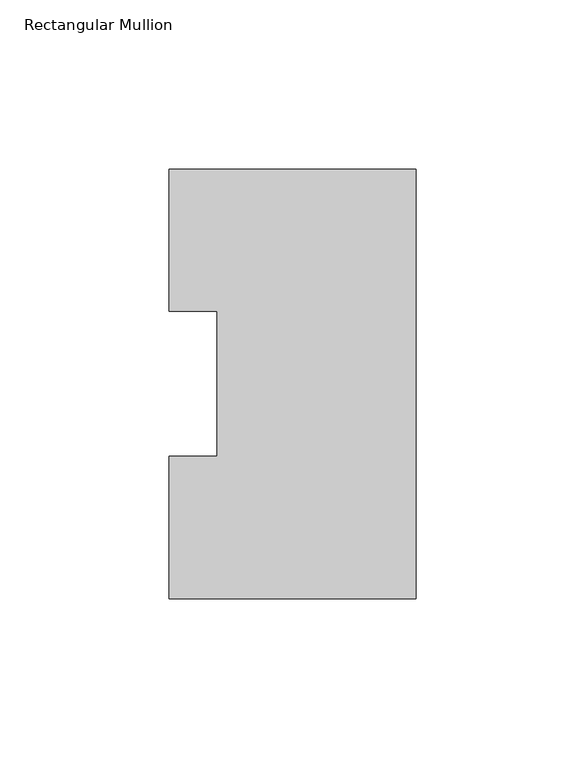
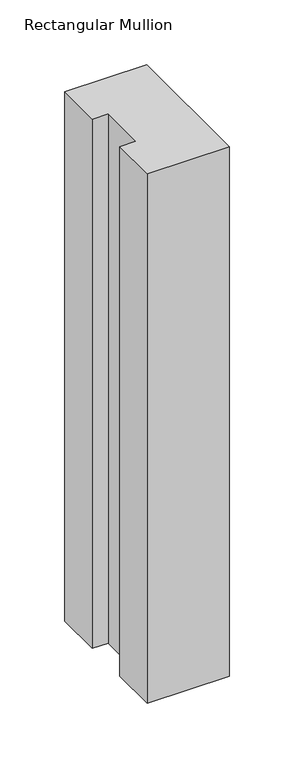
"""IFC4 building model written with IfcOpenShell, lengths in millimetres: member geometry, Rectangular Mullion."""

from ifc_helpers import new_model, si_unit, frame, origin, place, context, project, spatial, polyline, outline, extrude, source, transform, mapped, element, save


def rectangular_mullion_1f676ad6(model_context):
    return source(origin(), model_context, "Body", "SweptSolid", [
        extrude(outline(polyline([(0.0, 127.006348), (0.0, 0.0063465), (-73.025, 0.0063465), (-73.025, 42.0814491), (-58.7375, 42.0814491), (-58.7375, 84.93125), (-73.025, 84.93125), (-73.025, 127.006348), (0.0, 127.006348)])), frame((0.0, 0.0, -498.475), z_axis=(0.0, 0.0, 1.0), x_axis=(1.0, 0.0, 0.0)), (0.0, 0.0, 1.0), 498.475),
    ])


if __name__ == "__main__":
    model = new_model("IFC4")
    model_context = context("Model", 3, world=origin())
    ifc_project = project(units=[si_unit("LENGTHUNIT", "METRE", prefix="MILLI")], contexts=[model_context])
    site = spatial("IfcSite", under=ifc_project)
    building = spatial("IfcBuilding", under=site)
    placement = place(None, origin())
    rectangular_mullion_shape = rectangular_mullion_1f676ad6(model_context)
    element("IfcMember", 1, ObjectType="Rectangular Mullion", at=placement, inside=building, context=model_context, shape_type="MappedRepresentation", body=[
        mapped(rectangular_mullion_shape, transform((0.0, 0.0, 0.0), x_axis=(1.0, 0.0, 0.0), y_axis=(0.0, 1.0, 0.0), z_axis=(0.0, 0.0, 1.0))),
    ])
    save(model, "model.ifc")
